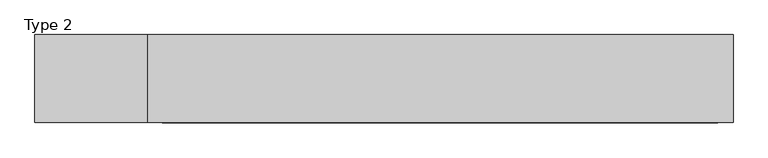
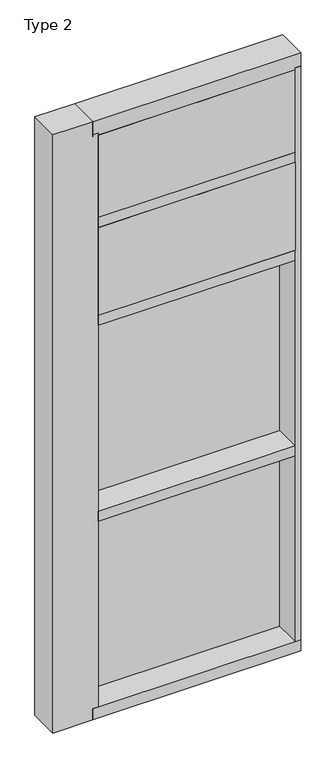
"""IFC4 building model written with IfcOpenShell, lengths in millimetres: plate geometry, Type 2."""

from ifc_helpers import new_model, si_unit, frame, origin, place, context, project, spatial, polyline, outline, extrude, faceted_brep, source, transform, mapped, element, save


def type_2_3efa56e9(model_context):
    return source(origin(), model_context, "Body", "SolidModel", [
        extrude(outline(polyline([(612.3219712, 27.6881517), (612.3219712, 11.2982336), (599.6230604, 11.2982336), (599.6230604, 27.6881517), (612.3219712, 27.6881517)])), frame((0.0, 0.0, 1225.55), z_axis=(0.0, 0.0, 1.0), x_axis=(1.0, 0.0, 0.0)), (0.0, 0.0, 1.0), 1206.5),
        extrude(outline(polyline([(-599.6230604, 27.6881517), (-599.6230604, 11.2982336), (-612.3219712, 11.2982336), (-612.3219712, 27.6881517), (-599.6230604, 27.6881517)])), frame((0.0, 0.0, 1225.55), z_axis=(0.0, 0.0, 1.0), x_axis=(1.0, 0.0, 0.0)), (0.0, 0.0, 1.0), 1206.5),
        extrude(outline(polyline([(599.6230604, 27.686), (599.6230604, 2.286), (-599.6230604, 2.286), (-599.6230604, 27.686), (599.6230604, 27.686)])), frame((0.0, 0.0, 1225.55), z_axis=(0.0, 0.0, 1.0), x_axis=(1.0, 0.0, 0.0)), (0.0, 0.0, 1.0), 1206.5),
        extrude(outline(polyline([(612.3219712, 27.686), (612.3219712, 6.35), (-612.3219712, 6.35), (-612.3219712, 27.686), (612.3219712, 27.686)])), frame((0.0, 0.0, 2432.05), z_axis=(0.0, 0.0, 1.0), x_axis=(1.0, 0.0, 0.0)), (0.0, 0.0, 1.0), 12.7),
        extrude(outline(polyline([(580.5730604, -48.6409999), (580.5730604, -156.32684), (-580.5719712, -156.32684), (-580.5719712, -48.6409999), (580.5730604, -48.6409999)])), frame((0.0, 0.0, 2470.15), z_axis=(0.0, 0.0, 1.0), x_axis=(1.0, 0.0, 0.0)), (0.0, 0.0, 1.0), 546.1993556),
        extrude(outline(polyline([(612.3219712, 27.686), (612.3219712, 6.35), (-612.3219712, 6.35), (-612.3219712, 27.686), (612.3219712, 27.686)])), frame((0.0, 0.0, 3041.65), z_axis=(0.0, 0.0, 1.0), x_axis=(1.0, 0.0, 0.0)), (0.0, 0.0, 1.0), 12.7),
        extrude(outline(polyline([(612.3219712, 27.6881517), (612.3219712, 11.2982336), (599.6230604, 11.2982336), (599.6230604, 27.6881517), (612.3219712, 27.6881517)])), frame((0.0, 0.0, 2444.75), z_axis=(0.0, 0.0, 1.0), x_axis=(1.0, 0.0, 0.0)), (0.0, 0.0, 1.0), 596.9),
        extrude(outline(polyline([(-599.6230604, 27.6881517), (-599.6230604, 11.2982336), (-612.3219712, 11.2982336), (-612.3219712, 27.6881517), (-599.6230604, 27.6881517)])), frame((0.0, 0.0, 2444.75), z_axis=(0.0, 0.0, 1.0), x_axis=(1.0, 0.0, 0.0)), (0.0, 0.0, 1.0), 596.9),
        extrude(outline(polyline([(599.6230604, 27.686), (599.6230604, 2.286), (-599.6230604, 2.286), (-599.6230604, 27.686), (599.6230604, 27.686)])), frame((0.0, 0.0, 2444.75), z_axis=(0.0, 0.0, 1.0), x_axis=(1.0, 0.0, 0.0)), (0.0, 0.0, 1.0), 596.9),
        faceted_brep([(-846.7854024, -155.9814, 3687.6066454), (-612.3219712, -155.9814, 3687.6066454), (-612.3219712, 27.686, 3687.6066454), (-846.7854024, 27.686, 3687.6066454), (-846.7854024, -155.9814, -38.1), (-846.7854024, 27.686, -38.1), (-612.3219712, 27.686, -38.1), (-612.3219712, -155.9814, -38.1), (-612.3219712, -155.9814, 31.75), (-580.5719712, -155.9814, 31.75), (-580.5719712, -155.9814, 3605.0566454), (-612.3219712, -155.9814, 3605.0566454), (-612.3219712, 2.286, 3605.0566454), (-612.3219712, 2.286, 31.75), (-580.5719712, 2.286, 3605.0566454), (-580.5719712, 2.286, 31.75)], [[[0, 1, 2, 3]], [[4, 5, 6, 7]], [[0, 4, 7, 8, 9, 10, 11, 1]], [[1, 11, 12, 13, 8, 7, 6, 2]], [[3, 5, 4, 0]], [[2, 6, 5, 3]], [[12, 11, 10, 14]], [[8, 13, 15, 9]], [[10, 9, 15, 14]], [[14, 15, 13, 12]]]),
        extrude(outline(polyline([(612.3219712, -155.9814), (580.5719712, -155.9814), (580.5719712, 2.286), (612.3219712, 2.286), (612.3219712, -155.9814)])), frame((0.0, 0.0, 31.75), z_axis=(0.0, 0.0, 1.0), x_axis=(1.0, 0.0, 0.0)), (0.0, 0.0, 1.0), 3573.3066454),
        extrude(outline(polyline([(580.5730604, -48.6409999), (580.5730604, -156.32684), (-580.5719712, -156.32684), (-580.5719712, -48.6409999), (580.5730604, -48.6409999)])), frame((0.0, 0.0, 3079.75), z_axis=(0.0, 0.0, 1.0), x_axis=(1.0, 0.0, 0.0)), (0.0, 0.0, 1.0), 512.7050826),
        extrude(outline(polyline([(612.3219712, 27.686), (612.3219712, 6.35), (-612.3219712, 6.35), (-612.3219712, 27.686), (612.3219712, 27.686)])), frame((0.0, 0.0, 3611.4066454), z_axis=(0.0, 0.0, 1.0), x_axis=(1.0, 0.0, 0.0)), (0.0, 0.0, 1.0), 12.7),
        extrude(outline(polyline([(612.3219712, 27.6881517), (612.3219712, 11.2982336), (599.6230604, 11.2982336), (599.6230604, 27.6881517), (612.3219712, 27.6881517)])), frame((0.0, 0.0, 3054.35), z_axis=(0.0, 0.0, 1.0), x_axis=(1.0, 0.0, 0.0)), (0.0, 0.0, 1.0), 557.0566454),
        extrude(outline(polyline([(-599.6230604, 27.6881517), (-599.6230604, 11.2982336), (-612.3219712, 11.2982336), (-612.3219712, 27.6881517), (-599.6230604, 27.6881517)])), frame((0.0, 0.0, 3054.35), z_axis=(0.0, 0.0, 1.0), x_axis=(1.0, 0.0, 0.0)), (0.0, 0.0, 1.0), 557.0566454),
        extrude(outline(polyline([(599.6230604, 27.686), (599.6230604, 2.286), (-599.6230604, 2.286), (-599.6230604, 27.686), (599.6230604, 27.686)])), frame((0.0, 0.0, 3054.35), z_axis=(0.0, 0.0, 1.0), x_axis=(1.0, 0.0, 0.0)), (0.0, 0.0, 1.0), 557.0566454),
        extrude(outline(polyline([(612.3219712, 27.6881517), (612.3219712, 11.2982336), (599.6230604, 11.2982336), (599.6230604, 27.6881517), (612.3219712, 27.6881517)])), frame((0.0, 0.0, 6.35), z_axis=(0.0, 0.0, 1.0), x_axis=(1.0, 0.0, 0.0)), (0.0, 0.0, 1.0), 1206.5),
        extrude(outline(polyline([(-599.6230604, 27.6881517), (-599.6230604, 11.2982336), (-612.3219712, 11.2982336), (-612.3219712, 27.6881517), (-599.6230604, 27.6881517)])), frame((0.0, 0.0, 6.35), z_axis=(0.0, 0.0, 1.0), x_axis=(1.0, 0.0, 0.0)), (0.0, 0.0, 1.0), 1206.5),
        extrude(outline(polyline([(599.6230604, 27.686), (599.6230604, 2.286), (-599.6230604, 2.286), (-599.6230604, 27.686), (599.6230604, 27.686)])), frame((0.0, 0.0, 6.35), z_axis=(0.0, 0.0, 1.0), x_axis=(1.0, 0.0, 0.0)), (0.0, 0.0, 1.0), 1206.5),
        extrude(outline(polyline([(612.3219712, 27.686), (612.3219712, 6.35), (-612.3219712, 6.35), (-612.3219712, 27.686), (612.3219712, 27.686)])), frame((0.0, 0.0, 1212.85), z_axis=(0.0, 0.0, 1.0), x_axis=(1.0, 0.0, 0.0)), (0.0, 0.0, 1.0), 12.7),
        extrude(outline(polyline([(-580.5719712, -155.4734), (-580.5719712, 2.286), (580.5719712, 2.286), (580.5719712, -155.4734), (-580.5719712, -155.4734)])), frame((0.0, 0.0, 1187.45), z_axis=(0.0, 0.0, 1.0), x_axis=(1.0, 0.0, 0.0)), (0.0, 0.0, 1.0), 63.5),
        extrude(outline(polyline([(-580.5719712, -155.4734), (-580.5719712, 2.286), (580.5719712, 2.286), (580.5719712, -155.4734), (-580.5719712, -155.4734)])), frame((0.0, 0.0, 2406.65), z_axis=(0.0, 0.0, 1.0), x_axis=(1.0, 0.0, 0.0)), (0.0, 0.0, 1.0), 63.5),
        extrude(outline(polyline([(-612.3219712, 5.0946564), (-612.3219712, 27.6881517), (612.3219712, 27.6881517), (612.3219712, 5.0946564), (-612.3219712, 5.0946564)])), frame((0.0, 0.0, -6.2984797), z_axis=(0.0, 0.0, 1.0), x_axis=(1.0, 0.0, 0.0)), (0.0, 0.0, 1.0), 12.6484797),
        extrude(outline(polyline([(27.686, 3687.6066454), (27.686, 3624.1067096), (2.286, 3624.1067096), (2.286, 3592.3567393), (-155.4734, 3592.3567393), (-155.4734, 3687.6066454), (27.686, 3687.6066454)])), frame((-612.3219712, 0.0, 0.0), z_axis=(1.0, 0.0, 0.0), x_axis=(0.0, 1.0, 0.0)), (0.0, 0.0, 1.0), 1224.6439423),
        extrude(outline(polyline([(-580.5719712, -155.4734), (-580.5719712, 2.2859999), (580.5719712, 2.2859999), (580.5719712, -155.4734), (-580.5719712, -155.4734)])), frame((0.0, 0.0, 3016.25), z_axis=(0.0, 0.0, 1.0), x_axis=(1.0, 0.0, 0.0)), (0.0, 0.0, 1.0), 63.5),
        extrude(outline(polyline([(2.2859999, 31.75), (2.2859999, -6.2983857), (27.6858239, -6.2983857), (27.6858239, -38.1), (-155.6004, -38.1), (-155.6004, 31.75), (2.2859999, 31.75)])), frame((-612.3219712, 0.0, 0.0), z_axis=(1.0, 0.0, 0.0), x_axis=(0.0, 1.0, 0.0)), (0.0, 0.0, 1.0), 1224.6439423),
    ])


if __name__ == "__main__":
    model = new_model("IFC4")
    model_context = context("Model", 3, world=origin())
    ifc_project = project(units=[si_unit("LENGTHUNIT", "METRE", prefix="MILLI")], contexts=[model_context])
    site = spatial("IfcSite", under=ifc_project)
    building = spatial("IfcBuilding", under=site)
    placement = place(None, origin())
    type_2_shape = type_2_3efa56e9(model_context)
    element("IfcPlate", 1, ObjectType="Type 2", at=placement, inside=building, context=model_context, shape_type="MappedRepresentation", body=[
        mapped(type_2_shape, transform((0.0, 0.0, 0.0), x_axis=(1.0, 0.0, 0.0), y_axis=(0.0, 1.0, 0.0), z_axis=(0.0, 0.0, 1.0))),
    ])
    save(model, "model.ifc")
